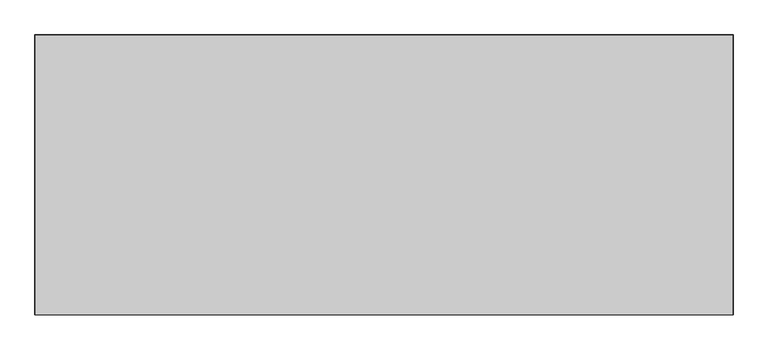
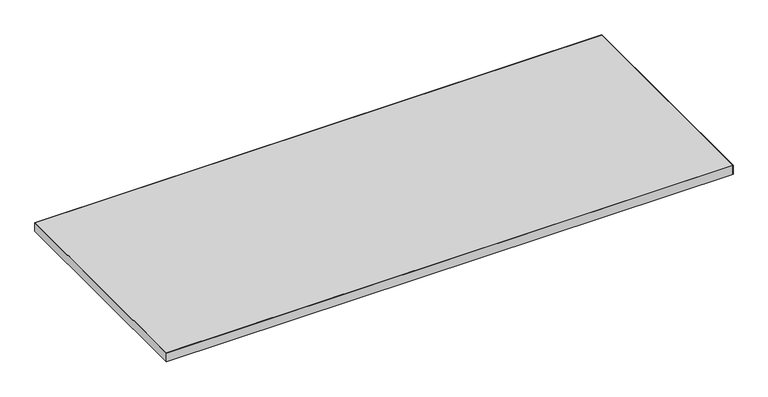
"""IFC4 building model written with IfcOpenShell, lengths in millimetres: furniture geometry."""

from ifc_helpers import new_model, si_unit, frame, origin, place, context, project, spatial, polyline, outline, extrude, source, transform, mapped, element, save


def furniture_647418e4(model_context):
    return source(origin(), model_context, "Body", "SweptSolid", [
        extrude(outline(polyline([(1827.784, -1.016), (1827.784, -732.5359908), (1.016, -732.5359908), (1.016, -1.016), (1827.784, -1.016)])), frame((0.0, 0.0, 697.2297529), z_axis=(0.0, 0.0, 1.0), x_axis=(1.0, 0.0, 0.0)), (0.0, 0.0, 1.0), 29.972),
        extrude(outline(polyline([(1828.8, -733.5519908), (0.0, -733.5519908), (0.0, 0.0), (1828.8, 0.0), (1828.8, -733.5519908)]), holes=[polyline([(1827.784, -1.016), (1.016, -1.016), (1.016, -732.5359908), (1827.784, -732.5359908), (1827.784, -1.016)])]), frame((0.0, 0.0, 697.2297529), z_axis=(0.0, 0.0, 1.0), x_axis=(1.0, 0.0, 0.0)), (0.0, 0.0, 1.0), 29.972),
    ])


if __name__ == "__main__":
    model = new_model("IFC4")
    model_context = context("Model", 3, world=origin())
    ifc_project = project(units=[si_unit("LENGTHUNIT", "METRE", prefix="MILLI")], contexts=[model_context])
    site = spatial("IfcSite", under=ifc_project)
    building = spatial("IfcBuilding", under=site)
    placement = place(None, origin())
    furniture_shape = furniture_647418e4(model_context)
    element("IfcFurniture", 1, at=placement, inside=building, context=model_context, shape_type="MappedRepresentation", body=[
        mapped(furniture_shape, transform((0.0, 0.0, 0.0), x_axis=(1.0, 0.0, 0.0), y_axis=(0.0, 1.0, 0.0), z_axis=(0.0, 0.0, 1.0))),
    ])
    save(model, "model.ifc")
